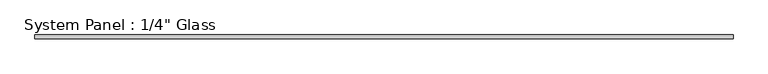
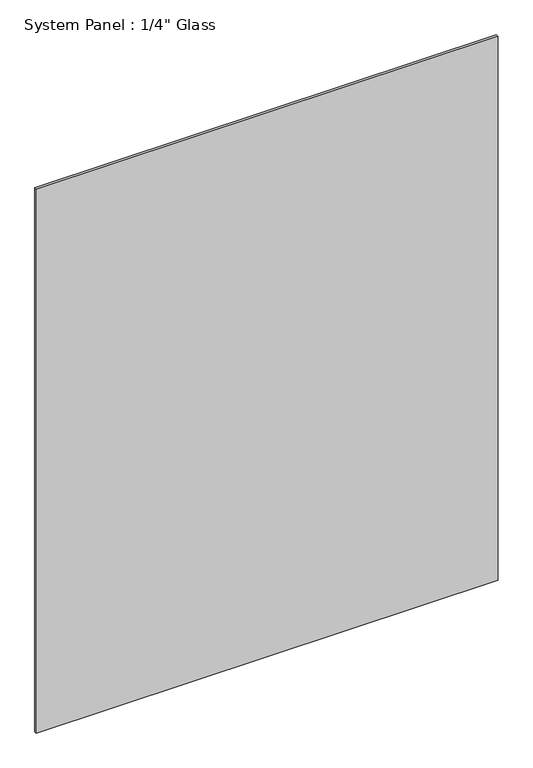
"""IFC4 building model written with IfcOpenShell, lengths in millimetres: plate geometry."""

from ifc_helpers import new_model, si_unit, origin, origin_with_axes, place, context, project, spatial, polyline, outline, extrude, source, transform, mapped, element, save


def plate_57a1bfd5(model_context):
    return source(origin(), model_context, "Body", "SweptSolid", [
        extrude(outline(polyline([(593.7258852, -3.175), (-593.7258852, -3.175), (-593.7258852, 3.175), (593.7258852, 3.175), (593.7258852, -3.175)])), origin_with_axes(), (0.0, 0.0, 1.0), 1478.3941382),
    ])


if __name__ == "__main__":
    model = new_model("IFC4")
    model_context = context("Model", 3, world=origin())
    ifc_project = project(units=[si_unit("LENGTHUNIT", "METRE", prefix="MILLI")], contexts=[model_context])
    site = spatial("IfcSite", under=ifc_project)
    building = spatial("IfcBuilding", under=site)
    placement = place(None, origin())
    plate_shape = plate_57a1bfd5(model_context)
    element("IfcPlate", 1, ObjectType="System Panel : 1/4\" Glass", at=placement, inside=building, context=model_context, shape_type="MappedRepresentation", body=[
        mapped(plate_shape, transform((0.0, 0.0, 0.0), x_axis=(1.0, 0.0, 0.0), y_axis=(0.0, 1.0, 0.0), z_axis=(0.0, 0.0, 1.0))),
    ])
    save(model, "model.ifc")
